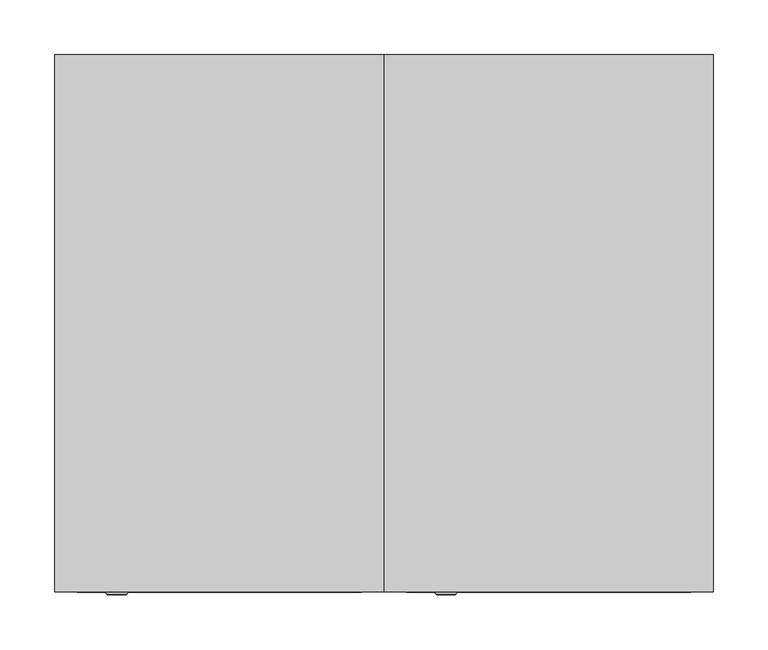
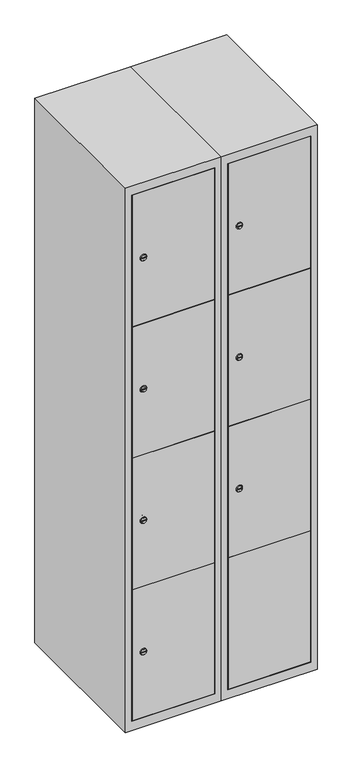
"""IFC4 building model written with IfcOpenShell, lengths in millimetres: furniture geometry."""

from ifc_helpers import new_model, si_unit, point, frame, frame_2d, origin, place, context, project, spatial, polyline, circle_curve, trimmed, segment, composite_curve, outline, extrude, faceted_brep, source, transform, mapped, element, save
from ifc_brep_helpers import plane_surface, revolved_surface, advanced_brep


def furniture_bb9736ca(model_context):
    return source(origin(), model_context, "Body", "SolidModel", [
        extrude(outline(composite_curve([segment(trimmed(circle_curve(frame_2d((717.8, 129.6010534)), 7.0), [point((724.8, 129.6010534))], [point((710.8, 129.6010534))], False, "CARTESIAN"), True, "CONTINUOUS"), segment(polyline([(710.8, 129.6010534), (710.8, 157.6010534)]), True, "CONTINUOUS"), segment(trimmed(circle_curve(frame_2d((717.8, 157.6010534)), 7.0), [point((710.8, 157.6010534))], [point((724.8, 157.6010534))], False, "CARTESIAN"), True, "CONTINUOUS"), segment(polyline([(724.8, 157.6010534), (724.8, 129.6010534)]), True, "CONTINUOUS")], self_intersect=False)), frame((0.0, -227.0, 0.0), z_axis=(0.0, 1.0, 0.0), x_axis=(0.0, 0.0, 1.0)), (0.0, 0.0, 1.0), 2.0),
        advanced_brep(
        [(164.9, -247.2, 717.8), (147.9, -247.2, 717.8), (151.4, -247.2, 716.55), (151.4, -247.2, 719.05), (161.4, -247.2, 719.05), (161.4, -247.2, 716.55), (166.9, -245.0, 717.8), (145.9, -245.0, 717.8), (151.4, -245.0, 719.05), (151.4, -245.0, 716.55), (161.4, -245.0, 716.55), (161.4, -245.0, 719.05)],
        [
            (0, 1, circle_curve(frame((156.4, -247.2, 717.8), z_axis=(0.0, -1.0, 0.0), x_axis=(1.0, 0.0, 0.0)), 8.5)),
            (1, 0, circle_curve(frame((156.4, -247.2, 717.8), z_axis=(0.0, -1.0, 0.0), x_axis=(-1.0, 0.0, 0.0)), 8.5)),
            (2, 3),
            (3, 4),
            (4, 5),
            (5, 2),
            (6, 7, circle_curve(frame((156.4, -245.0, 717.8), z_axis=(0.0, 1.0, 0.0), x_axis=(-1.0, 0.0, 0.0)), 10.5)),
            (7, 6, circle_curve(frame((156.4, -245.0, 717.8), z_axis=(0.0, 1.0, 0.0), x_axis=(1.0, 0.0, 0.0)), 10.5)),
            (8, 9),
            (9, 10),
            (10, 11),
            (11, 8),
            (0, 6),
            (7, 1),
            (8, 3),
            (2, 9),
            (11, 4),
            (10, 5),
        ],
        [
            plane_surface(frame((156.4, -247.2, 717.8), z_axis=(0.0, -1.0, 0.0), x_axis=(0.0, 0.0, 1.0))),
            plane_surface(frame((156.4, -245.0, 717.8), z_axis=(0.0, 1.0, 0.0), x_axis=(0.0, 0.0, 1.0))),
            revolved_surface(polyline([(164.9, -247.2, 717.8), (166.9, -245.0, 717.8)]), (156.4, -256.55, 717.8), (0.0, 1.0, 0.0)),
            revolved_surface(polyline([(147.9, -247.2, 717.8), (145.9, -245.0, 717.8)]), (156.4, -256.55, 717.8), (0.0, 1.0, 0.0)),
            plane_surface(frame((151.4, -245.0, 716.55), z_axis=(1.0, 0.0, 0.0), x_axis=(0.0, -1.0, 0.0))),
            plane_surface(frame((151.4, -245.0, 719.05), z_axis=(0.0, 0.0, -1.0), x_axis=(0.0, -1.0, 0.0))),
            plane_surface(frame((161.4, -245.0, 719.05), z_axis=(-1.0, 0.0, 0.0), x_axis=(0.0, -1.0, 0.0))),
            plane_surface(frame((161.4, -245.0, 716.55), z_axis=(0.0, 0.0, 1.0), x_axis=(0.0, -1.0, 0.0))),
        ],
        [
            (0, [[1, 2], [3, 4, 5, 6]]),
            (1, [[7, 8], [9, 10, 11, 12]]),
            (2, [[-1, 13, -8, 14]]),
            (3, [[-2, -14, -7, -13]]),
            (4, [[15, -3, 16, -9]]),
            (5, [[-15, -12, 17, -4]]),
            (6, [[-17, -11, 18, -5]]),
            (7, [[-16, -6, -18, -10]]),
        ],
    ),
        extrude(outline(composite_curve([segment(trimmed(circle_curve(frame_2d((1152.2, 129.6010534)), 7.0), [point((1159.2, 129.6010534))], [point((1145.2, 129.6010534))], False, "CARTESIAN"), True, "CONTINUOUS"), segment(polyline([(1145.2, 129.6010534), (1145.2, 157.6010534)]), True, "CONTINUOUS"), segment(trimmed(circle_curve(frame_2d((1152.2, 157.6010534)), 7.0), [point((1145.2, 157.6010534))], [point((1159.2, 157.6010534))], False, "CARTESIAN"), True, "CONTINUOUS"), segment(polyline([(1159.2, 157.6010534), (1159.2, 129.6010534)]), True, "CONTINUOUS")], self_intersect=False)), frame((0.0, -227.0, 0.0), z_axis=(0.0, 1.0, 0.0), x_axis=(0.0, 0.0, 1.0)), (0.0, 0.0, 1.0), 2.0),
        advanced_brep(
        [(164.9, -247.2, 1152.2), (147.9, -247.2, 1152.2), (151.4, -247.2, 1150.95), (151.4, -247.2, 1153.45), (161.4, -247.2, 1153.45), (161.4, -247.2, 1150.95), (166.9, -245.0, 1152.2), (145.9, -245.0, 1152.2), (151.4, -245.0, 1153.45), (151.4, -245.0, 1150.95), (161.4, -245.0, 1150.95), (161.4, -245.0, 1153.45)],
        [
            (0, 1, circle_curve(frame((156.4, -247.2, 1152.2), z_axis=(0.0, -1.0, 0.0), x_axis=(1.0, 0.0, 0.0)), 8.5)),
            (1, 0, circle_curve(frame((156.4, -247.2, 1152.2), z_axis=(0.0, -1.0, 0.0), x_axis=(-1.0, 0.0, 0.0)), 8.5)),
            (2, 3),
            (3, 4),
            (4, 5),
            (5, 2),
            (6, 7, circle_curve(frame((156.4, -245.0, 1152.2), z_axis=(0.0, 1.0, 0.0), x_axis=(-1.0, 0.0, 0.0)), 10.5)),
            (7, 6, circle_curve(frame((156.4, -245.0, 1152.2), z_axis=(0.0, 1.0, 0.0), x_axis=(1.0, 0.0, 0.0)), 10.5)),
            (8, 9),
            (9, 10),
            (10, 11),
            (11, 8),
            (0, 6),
            (7, 1),
            (8, 3),
            (2, 9),
            (11, 4),
            (10, 5),
        ],
        [
            plane_surface(frame((156.4, -247.2, 1152.2), z_axis=(0.0, -1.0, 0.0), x_axis=(0.0, 0.0, 1.0))),
            plane_surface(frame((156.4, -245.0, 1152.2), z_axis=(0.0, 1.0, 0.0), x_axis=(0.0, 0.0, 1.0))),
            revolved_surface(polyline([(164.9, -247.2, 1152.2), (166.9, -245.0, 1152.2)]), (156.4, -256.55, 1152.2), (0.0, 1.0, 0.0)),
            revolved_surface(polyline([(147.9, -247.2, 1152.2), (145.9, -245.0, 1152.2)]), (156.4, -256.55, 1152.2), (0.0, 1.0, 0.0)),
            plane_surface(frame((151.4, -245.0, 1150.95), z_axis=(1.0, 0.0, 0.0), x_axis=(0.0, -1.0, 0.0))),
            plane_surface(frame((151.4, -245.0, 1153.45), z_axis=(0.0, 0.0, -1.0), x_axis=(0.0, -1.0, 0.0))),
            plane_surface(frame((161.4, -245.0, 1153.45), z_axis=(-1.0, 0.0, 0.0), x_axis=(0.0, -1.0, 0.0))),
            plane_surface(frame((161.4, -245.0, 1150.95), z_axis=(0.0, 0.0, 1.0), x_axis=(0.0, -1.0, 0.0))),
        ],
        [
            (0, [[1, 2], [3, 4, 5, 6]]),
            (1, [[7, 8], [9, 10, 11, 12]]),
            (2, [[-1, 13, -8, 14]]),
            (3, [[-2, -14, -7, -13]]),
            (4, [[15, -3, 16, -9]]),
            (5, [[-15, -12, 17, -4]]),
            (6, [[-17, -11, 18, -5]]),
            (7, [[-16, -6, -18, -10]]),
        ],
    ),
        extrude(outline(composite_curve([segment(trimmed(circle_curve(frame_2d((1586.6, 129.6010534)), 7.0), [point((1593.6, 129.6010534))], [point((1579.6, 129.6010534))], False, "CARTESIAN"), True, "CONTINUOUS"), segment(polyline([(1579.6, 129.6010534), (1579.6, 157.6010534)]), True, "CONTINUOUS"), segment(trimmed(circle_curve(frame_2d((1586.6, 157.6010534)), 7.0), [point((1579.6, 157.6010534))], [point((1593.6, 157.6010534))], False, "CARTESIAN"), True, "CONTINUOUS"), segment(polyline([(1593.6, 157.6010534), (1593.6, 129.6010534)]), True, "CONTINUOUS")], self_intersect=False)), frame((0.0, -227.0, 0.0), z_axis=(0.0, 1.0, 0.0), x_axis=(0.0, 0.0, 1.0)), (0.0, 0.0, 1.0), 2.0),
        advanced_brep(
        [(164.9, -247.2, 1586.6), (147.9, -247.2, 1586.6), (151.4, -247.2, 1585.35), (151.4, -247.2, 1587.85), (161.4, -247.2, 1587.85), (161.4, -247.2, 1585.35), (166.9, -245.0, 1586.6), (145.9, -245.0, 1586.6), (151.4, -245.0, 1587.85), (151.4, -245.0, 1585.35), (161.4, -245.0, 1585.35), (161.4, -245.0, 1587.85)],
        [
            (0, 1, circle_curve(frame((156.4, -247.2, 1586.6), z_axis=(0.0, -1.0, 0.0), x_axis=(1.0, 0.0, 0.0)), 8.5)),
            (1, 0, circle_curve(frame((156.4, -247.2, 1586.6), z_axis=(0.0, -1.0, 0.0), x_axis=(-1.0, 0.0, 0.0)), 8.5)),
            (2, 3),
            (3, 4),
            (4, 5),
            (5, 2),
            (6, 7, circle_curve(frame((156.4, -245.0, 1586.6), z_axis=(0.0, 1.0, 0.0), x_axis=(-1.0, 0.0, 0.0)), 10.5)),
            (7, 6, circle_curve(frame((156.4, -245.0, 1586.6), z_axis=(0.0, 1.0, 0.0), x_axis=(1.0, 0.0, 0.0)), 10.5)),
            (8, 9),
            (9, 10),
            (10, 11),
            (11, 8),
            (0, 6),
            (7, 1),
            (8, 3),
            (2, 9),
            (11, 4),
            (10, 5),
        ],
        [
            plane_surface(frame((156.4, -247.2, 1586.6), z_axis=(0.0, -1.0, 0.0), x_axis=(0.0, 0.0, 1.0))),
            plane_surface(frame((156.4, -245.0, 1586.6), z_axis=(0.0, 1.0, 0.0), x_axis=(0.0, 0.0, 1.0))),
            revolved_surface(polyline([(164.9, -247.2, 1586.6), (166.9, -245.0, 1586.6)]), (156.4, -256.55, 1586.6), (0.0, 1.0, 0.0)),
            revolved_surface(polyline([(147.9, -247.2, 1586.6), (145.9, -245.0, 1586.6)]), (156.4, -256.55, 1586.6), (0.0, 1.0, 0.0)),
            plane_surface(frame((151.4, -245.0, 1585.35), z_axis=(1.0, 0.0, 0.0), x_axis=(0.0, -1.0, 0.0))),
            plane_surface(frame((151.4, -245.0, 1587.85), z_axis=(0.0, 0.0, -1.0), x_axis=(0.0, -1.0, 0.0))),
            plane_surface(frame((161.4, -245.0, 1587.85), z_axis=(-1.0, 0.0, 0.0), x_axis=(0.0, -1.0, 0.0))),
            plane_surface(frame((161.4, -245.0, 1585.35), z_axis=(0.0, 0.0, 1.0), x_axis=(0.0, -1.0, 0.0))),
        ],
        [
            (0, [[1, 2], [3, 4, 5, 6]]),
            (1, [[7, 8], [9, 10, 11, 12]]),
            (2, [[-1, 13, -8, 14]]),
            (3, [[-2, -14, -7, -13]]),
            (4, [[15, -3, 16, -9]]),
            (5, [[-15, -12, 17, -4]]),
            (6, [[-17, -11, 18, -5]]),
            (7, [[-16, -6, -18, -10]]),
        ],
    ),
        extrude(outline(polyline([(378.6, -227.0), (378.6, -245.0), (121.4, -245.0), (121.4, -227.0), (378.6, -227.0)])), frame((0.0, 0.0, 500.1), z_axis=(0.0, 0.0, 1.0), x_axis=(1.0, 0.0, 0.0)), (0.0, 0.0, 1.0), 434.4),
        extrude(outline(polyline([(378.6, -227.0), (378.6, -245.0), (121.4, -245.0), (121.4, -227.0), (378.6, -227.0)])), frame((0.0, 0.0, 935.5), z_axis=(0.0, 0.0, 1.0), x_axis=(1.0, 0.0, 0.0)), (0.0, 0.0, 1.0), 433.4),
        extrude(outline(polyline([(121.4, -245.0), (121.4, -227.0), (378.6, -227.0), (378.6, -245.0), (121.4, -245.0)])), frame((0.0, 0.0, 1369.9), z_axis=(0.0, 0.0, 1.0), x_axis=(1.0, 0.0, 0.0)), (0.0, 0.0, 1.0), 433.9),
        extrude(outline(polyline([(378.6, -227.0), (378.6, -245.0), (121.4, -245.0), (121.4, -227.0), (378.6, -227.0)])), frame((0.0, 0.0, 66.2), z_axis=(0.0, 0.0, 1.0), x_axis=(1.0, 0.0, 0.0)), (0.0, 0.0, 1.0), 434.9),
        extrude(outline(polyline([(379.6, 242.0), (379.6, -227.0), (120.4, -227.0), (120.4, 242.0), (379.6, 242.0)])), frame((0.0, 0.0, 1359.7), z_axis=(0.0, 0.0, 1.0), x_axis=(1.0, 0.0, 0.0)), (0.0, 0.0, 1.0), 20.4),
        extrude(outline(polyline([(379.6, 242.0), (379.6, -227.0), (120.4, -227.0), (120.4, 242.0), (379.6, 242.0)])), frame((0.0, 0.0, 924.8), z_axis=(0.0, 0.0, 1.0), x_axis=(1.0, 0.0, 0.0)), (0.0, 0.0, 1.0), 20.4),
        extrude(outline(polyline([(379.6, 242.0), (379.6, -227.0), (120.4, -227.0), (120.4, 242.0), (379.6, 242.0)])), frame((0.0, 0.0, 489.9), z_axis=(0.0, 0.0, 1.0), x_axis=(1.0, 0.0, 0.0)), (0.0, 0.0, 1.0), 20.4),
        faceted_brep([(400.0, -245.0, 35.0), (400.0, -245.0, 1835.0), (100.0, -245.0, 1835.0), (100.0, -245.0, 35.0), (379.6, -245.0, 1804.8), (379.6, -245.0, 65.2), (120.4, -245.0, 65.2), (120.4, -245.0, 1804.8), (400.0, 245.0, 35.0), (100.0, 245.0, 35.0), (400.0, 245.0, 1835.0), (100.0, 245.0, 1835.0), (379.6, 242.0, 1804.8), (379.6, 242.0, 65.2), (100.0, 245.0, 1804.8), (120.4, 242.0, 1804.8), (120.4, 242.0, 65.2)], [[[0, 1, 2, 3], [4, 5, 6, 7]], [[8, 0, 3, 9]], [[1, 0, 8, 10]], [[1, 10, 11, 2]], [[4, 12, 13, 5]], [[9, 3, 2, 11, 14]], [[10, 8, 9, 14, 11]], [[12, 15, 16, 13]], [[15, 7, 6, 16]], [[4, 7, 15, 12]], [[6, 5, 13, 16]]]),
        extrude(outline(composite_curve([segment(trimmed(circle_curve(frame_2d((283.4, -170.3989466)), 7.0), [point((290.4, -170.3989466))], [point((276.4, -170.3989466))], False, "CARTESIAN"), True, "CONTINUOUS"), segment(polyline([(276.4, -170.3989466), (276.4, -142.3989466)]), True, "CONTINUOUS"), segment(trimmed(circle_curve(frame_2d((283.4, -142.3989466)), 7.0), [point((276.4, -142.3989466))], [point((290.4, -142.3989466))], False, "CARTESIAN"), True, "CONTINUOUS"), segment(polyline([(290.4, -142.3989466), (290.4, -170.3989466)]), True, "CONTINUOUS")], self_intersect=False)), frame((0.0, -227.0, 0.0), z_axis=(0.0, 1.0, 0.0), x_axis=(0.0, 0.0, 1.0)), (0.0, 0.0, 1.0), 2.0),
        advanced_brep(
        [(-135.1, -247.2, 283.4), (-152.1, -247.2, 283.4), (-148.6, -247.2, 282.15), (-148.6, -247.2, 284.65), (-138.6, -247.2, 284.65), (-138.6, -247.2, 282.15), (-133.1, -245.0, 283.4), (-154.1, -245.0, 283.4), (-148.6, -245.0, 284.65), (-148.6, -245.0, 282.15), (-138.6, -245.0, 282.15), (-138.6, -245.0, 284.65)],
        [
            (0, 1, circle_curve(frame((-143.6, -247.2, 283.4), z_axis=(0.0, -1.0, 0.0), x_axis=(1.0, 0.0, 0.0)), 8.5)),
            (1, 0, circle_curve(frame((-143.6, -247.2, 283.4), z_axis=(0.0, -1.0, 0.0), x_axis=(-1.0, 0.0, 0.0)), 8.5)),
            (2, 3),
            (3, 4),
            (4, 5),
            (5, 2),
            (6, 7, circle_curve(frame((-143.6, -245.0, 283.4), z_axis=(0.0, 1.0, 0.0), x_axis=(-1.0, 0.0, 0.0)), 10.5)),
            (7, 6, circle_curve(frame((-143.6, -245.0, 283.4), z_axis=(0.0, 1.0, 0.0), x_axis=(1.0, 0.0, 0.0)), 10.5)),
            (8, 9),
            (9, 10),
            (10, 11),
            (11, 8),
            (0, 6),
            (7, 1),
            (8, 3),
            (2, 9),
            (11, 4),
            (10, 5),
        ],
        [
            plane_surface(frame((-143.6, -247.2, 283.4), z_axis=(0.0, -1.0, 0.0), x_axis=(0.0, 0.0, 1.0))),
            plane_surface(frame((-143.6, -245.0, 283.4), z_axis=(0.0, 1.0, 0.0), x_axis=(0.0, 0.0, 1.0))),
            revolved_surface(polyline([(-135.1, -247.2, 283.4), (-133.1, -245.0, 283.4)]), (-143.6, -256.55, 283.4), (0.0, 1.0, 0.0)),
            revolved_surface(polyline([(-152.1, -247.2, 283.4), (-154.1, -245.0, 283.4)]), (-143.6, -256.55, 283.4), (0.0, 1.0, 0.0)),
            plane_surface(frame((-148.6, -245.0, 282.15), z_axis=(1.0, 0.0, 0.0), x_axis=(0.0, -1.0, 0.0))),
            plane_surface(frame((-148.6, -245.0, 284.65), z_axis=(0.0, 0.0, -1.0), x_axis=(0.0, -1.0, 0.0))),
            plane_surface(frame((-138.6, -245.0, 284.65), z_axis=(-1.0, 0.0, 0.0), x_axis=(0.0, -1.0, 0.0))),
            plane_surface(frame((-138.6, -245.0, 282.15), z_axis=(0.0, 0.0, 1.0), x_axis=(0.0, -1.0, 0.0))),
        ],
        [
            (0, [[1, 2], [3, 4, 5, 6]]),
            (1, [[7, 8], [9, 10, 11, 12]]),
            (2, [[-1, 13, -8, 14]]),
            (3, [[-2, -14, -7, -13]]),
            (4, [[15, -3, 16, -9]]),
            (5, [[-15, -12, 17, -4]]),
            (6, [[-17, -11, 18, -5]]),
            (7, [[-16, -6, -18, -10]]),
        ],
    ),
        extrude(outline(composite_curve([segment(trimmed(circle_curve(frame_2d((717.8, -170.3989466)), 7.0), [point((724.8, -170.3989466))], [point((710.8, -170.3989466))], False, "CARTESIAN"), True, "CONTINUOUS"), segment(polyline([(710.8, -170.3989466), (710.8, -142.3989466)]), True, "CONTINUOUS"), segment(trimmed(circle_curve(frame_2d((717.8, -142.3989466)), 7.0), [point((710.8, -142.3989466))], [point((724.8, -142.3989466))], False, "CARTESIAN"), True, "CONTINUOUS"), segment(polyline([(724.8, -142.3989466), (724.8, -170.3989466)]), True, "CONTINUOUS")], self_intersect=False)), frame((0.0, -227.0, 0.0), z_axis=(0.0, 1.0, 0.0), x_axis=(0.0, 0.0, 1.0)), (0.0, 0.0, 1.0), 2.0),
        advanced_brep(
        [(-135.1, -247.2, 717.8), (-152.1, -247.2, 717.8), (-148.6, -247.2, 716.55), (-148.6, -247.2, 719.05), (-138.6, -247.2, 719.05), (-138.6, -247.2, 716.55), (-133.1, -245.0, 717.8), (-154.1, -245.0, 717.8), (-148.6, -245.0, 719.05), (-148.6, -245.0, 716.55), (-138.6, -245.0, 716.55), (-138.6, -245.0, 719.05)],
        [
            (0, 1, circle_curve(frame((-143.6, -247.2, 717.8), z_axis=(0.0, -1.0, 0.0), x_axis=(1.0, 0.0, 0.0)), 8.5)),
            (1, 0, circle_curve(frame((-143.6, -247.2, 717.8), z_axis=(0.0, -1.0, 0.0), x_axis=(-1.0, 0.0, 0.0)), 8.5)),
            (2, 3),
            (3, 4),
            (4, 5),
            (5, 2),
            (6, 7, circle_curve(frame((-143.6, -245.0, 717.8), z_axis=(0.0, 1.0, 0.0), x_axis=(-1.0, 0.0, 0.0)), 10.5)),
            (7, 6, circle_curve(frame((-143.6, -245.0, 717.8), z_axis=(0.0, 1.0, 0.0), x_axis=(1.0, 0.0, 0.0)), 10.5)),
            (8, 9),
            (9, 10),
            (10, 11),
            (11, 8),
            (0, 6),
            (7, 1),
            (8, 3),
            (2, 9),
            (11, 4),
            (10, 5),
        ],
        [
            plane_surface(frame((-143.6, -247.2, 717.8), z_axis=(0.0, -1.0, 0.0), x_axis=(0.0, 0.0, 1.0))),
            plane_surface(frame((-143.6, -245.0, 717.8), z_axis=(0.0, 1.0, 0.0), x_axis=(0.0, 0.0, 1.0))),
            revolved_surface(polyline([(-135.1, -247.2, 717.8), (-133.1, -245.0, 717.8)]), (-143.6, -256.55, 717.8), (0.0, 1.0, 0.0)),
            revolved_surface(polyline([(-152.1, -247.2, 717.8), (-154.1, -245.0, 717.8)]), (-143.6, -256.55, 717.8), (0.0, 1.0, 0.0)),
            plane_surface(frame((-148.6, -245.0, 716.55), z_axis=(1.0, 0.0, 0.0), x_axis=(0.0, -1.0, 0.0))),
            plane_surface(frame((-148.6, -245.0, 719.05), z_axis=(0.0, 0.0, -1.0), x_axis=(0.0, -1.0, 0.0))),
            plane_surface(frame((-138.6, -245.0, 719.05), z_axis=(-1.0, 0.0, 0.0), x_axis=(0.0, -1.0, 0.0))),
            plane_surface(frame((-138.6, -245.0, 716.55), z_axis=(0.0, 0.0, 1.0), x_axis=(0.0, -1.0, 0.0))),
        ],
        [
            (0, [[1, 2], [3, 4, 5, 6]]),
            (1, [[7, 8], [9, 10, 11, 12]]),
            (2, [[-1, 13, -8, 14]]),
            (3, [[-2, -14, -7, -13]]),
            (4, [[15, -3, 16, -9]]),
            (5, [[-15, -12, 17, -4]]),
            (6, [[-17, -11, 18, -5]]),
            (7, [[-16, -6, -18, -10]]),
        ],
    ),
        extrude(outline(composite_curve([segment(trimmed(circle_curve(frame_2d((1152.2, -170.3989466)), 7.0), [point((1159.2, -170.3989466))], [point((1145.2, -170.3989466))], False, "CARTESIAN"), True, "CONTINUOUS"), segment(polyline([(1145.2, -170.3989466), (1145.2, -142.3989466)]), True, "CONTINUOUS"), segment(trimmed(circle_curve(frame_2d((1152.2, -142.3989466)), 7.0), [point((1145.2, -142.3989466))], [point((1159.2, -142.3989466))], False, "CARTESIAN"), True, "CONTINUOUS"), segment(polyline([(1159.2, -142.3989466), (1159.2, -170.3989466)]), True, "CONTINUOUS")], self_intersect=False)), frame((0.0, -227.0, 0.0), z_axis=(0.0, 1.0, 0.0), x_axis=(0.0, 0.0, 1.0)), (0.0, 0.0, 1.0), 2.0),
        advanced_brep(
        [(-135.1, -247.2, 1152.2), (-152.1, -247.2, 1152.2), (-148.6, -247.2, 1150.95), (-148.6, -247.2, 1153.45), (-138.6, -247.2, 1153.45), (-138.6, -247.2, 1150.95), (-133.1, -245.0, 1152.2), (-154.1, -245.0, 1152.2), (-148.6, -245.0, 1153.45), (-148.6, -245.0, 1150.95), (-138.6, -245.0, 1150.95), (-138.6, -245.0, 1153.45)],
        [
            (0, 1, circle_curve(frame((-143.6, -247.2, 1152.2), z_axis=(0.0, -1.0, 0.0), x_axis=(1.0, 0.0, 0.0)), 8.5)),
            (1, 0, circle_curve(frame((-143.6, -247.2, 1152.2), z_axis=(0.0, -1.0, 0.0), x_axis=(-1.0, 0.0, 0.0)), 8.5)),
            (2, 3),
            (3, 4),
            (4, 5),
            (5, 2),
            (6, 7, circle_curve(frame((-143.6, -245.0, 1152.2), z_axis=(0.0, 1.0, 0.0), x_axis=(-1.0, 0.0, 0.0)), 10.5)),
            (7, 6, circle_curve(frame((-143.6, -245.0, 1152.2), z_axis=(0.0, 1.0, 0.0), x_axis=(1.0, 0.0, 0.0)), 10.5)),
            (8, 9),
            (9, 10),
            (10, 11),
            (11, 8),
            (0, 6),
            (7, 1),
            (8, 3),
            (2, 9),
            (11, 4),
            (10, 5),
        ],
        [
            plane_surface(frame((-143.6, -247.2, 1152.2), z_axis=(0.0, -1.0, 0.0), x_axis=(0.0, 0.0, 1.0))),
            plane_surface(frame((-143.6, -245.0, 1152.2), z_axis=(0.0, 1.0, 0.0), x_axis=(0.0, 0.0, 1.0))),
            revolved_surface(polyline([(-135.1, -247.2, 1152.2), (-133.1, -245.0, 1152.2)]), (-143.6, -256.55, 1152.2), (0.0, 1.0, 0.0)),
            revolved_surface(polyline([(-152.1, -247.2, 1152.2), (-154.1, -245.0, 1152.2)]), (-143.6, -256.55, 1152.2), (0.0, 1.0, 0.0)),
            plane_surface(frame((-148.6, -245.0, 1150.95), z_axis=(1.0, 0.0, 0.0), x_axis=(0.0, -1.0, 0.0))),
            plane_surface(frame((-148.6, -245.0, 1153.45), z_axis=(0.0, 0.0, -1.0), x_axis=(0.0, -1.0, 0.0))),
            plane_surface(frame((-138.6, -245.0, 1153.45), z_axis=(-1.0, 0.0, 0.0), x_axis=(0.0, -1.0, 0.0))),
            plane_surface(frame((-138.6, -245.0, 1150.95), z_axis=(0.0, 0.0, 1.0), x_axis=(0.0, -1.0, 0.0))),
        ],
        [
            (0, [[1, 2], [3, 4, 5, 6]]),
            (1, [[7, 8], [9, 10, 11, 12]]),
            (2, [[-1, 13, -8, 14]]),
            (3, [[-2, -14, -7, -13]]),
            (4, [[15, -3, 16, -9]]),
            (5, [[-15, -12, 17, -4]]),
            (6, [[-17, -11, 18, -5]]),
            (7, [[-16, -6, -18, -10]]),
        ],
    ),
        extrude(outline(composite_curve([segment(trimmed(circle_curve(frame_2d((1586.6, -170.3989466)), 7.0), [point((1593.6, -170.3989466))], [point((1579.6, -170.3989466))], False, "CARTESIAN"), True, "CONTINUOUS"), segment(polyline([(1579.6, -170.3989466), (1579.6, -142.3989466)]), True, "CONTINUOUS"), segment(trimmed(circle_curve(frame_2d((1586.6, -142.3989466)), 7.0), [point((1579.6, -142.3989466))], [point((1593.6, -142.3989466))], False, "CARTESIAN"), True, "CONTINUOUS"), segment(polyline([(1593.6, -142.3989466), (1593.6, -170.3989466)]), True, "CONTINUOUS")], self_intersect=False)), frame((0.0, -227.0, 0.0), z_axis=(0.0, 1.0, 0.0), x_axis=(0.0, 0.0, 1.0)), (0.0, 0.0, 1.0), 2.0),
        advanced_brep(
        [(-135.1, -247.2, 1586.6), (-152.1, -247.2, 1586.6), (-148.6, -247.2, 1585.35), (-148.6, -247.2, 1587.85), (-138.6, -247.2, 1587.85), (-138.6, -247.2, 1585.35), (-133.1, -245.0, 1586.6), (-154.1, -245.0, 1586.6), (-148.6, -245.0, 1587.85), (-148.6, -245.0, 1585.35), (-138.6, -245.0, 1585.35), (-138.6, -245.0, 1587.85)],
        [
            (0, 1, circle_curve(frame((-143.6, -247.2, 1586.6), z_axis=(0.0, -1.0, 0.0), x_axis=(1.0, 0.0, 0.0)), 8.5)),
            (1, 0, circle_curve(frame((-143.6, -247.2, 1586.6), z_axis=(0.0, -1.0, 0.0), x_axis=(-1.0, 0.0, 0.0)), 8.5)),
            (2, 3),
            (3, 4),
            (4, 5),
            (5, 2),
            (6, 7, circle_curve(frame((-143.6, -245.0, 1586.6), z_axis=(0.0, 1.0, 0.0), x_axis=(-1.0, 0.0, 0.0)), 10.5)),
            (7, 6, circle_curve(frame((-143.6, -245.0, 1586.6), z_axis=(0.0, 1.0, 0.0), x_axis=(1.0, 0.0, 0.0)), 10.5)),
            (8, 9),
            (9, 10),
            (10, 11),
            (11, 8),
            (0, 6),
            (7, 1),
            (8, 3),
            (2, 9),
            (11, 4),
            (10, 5),
        ],
        [
            plane_surface(frame((-143.6, -247.2, 1586.6), z_axis=(0.0, -1.0, 0.0), x_axis=(0.0, 0.0, 1.0))),
            plane_surface(frame((-143.6, -245.0, 1586.6), z_axis=(0.0, 1.0, 0.0), x_axis=(0.0, 0.0, 1.0))),
            revolved_surface(polyline([(-135.1, -247.2, 1586.6), (-133.1, -245.0, 1586.6)]), (-143.6, -256.55, 1586.6), (0.0, 1.0, 0.0)),
            revolved_surface(polyline([(-152.1, -247.2, 1586.6), (-154.1, -245.0, 1586.6)]), (-143.6, -256.55, 1586.6), (0.0, 1.0, 0.0)),
            plane_surface(frame((-148.6, -245.0, 1585.35), z_axis=(1.0, 0.0, 0.0), x_axis=(0.0, -1.0, 0.0))),
            plane_surface(frame((-148.6, -245.0, 1587.85), z_axis=(0.0, 0.0, -1.0), x_axis=(0.0, -1.0, 0.0))),
            plane_surface(frame((-138.6, -245.0, 1587.85), z_axis=(-1.0, 0.0, 0.0), x_axis=(0.0, -1.0, 0.0))),
            plane_surface(frame((-138.6, -245.0, 1585.35), z_axis=(0.0, 0.0, 1.0), x_axis=(0.0, -1.0, 0.0))),
        ],
        [
            (0, [[1, 2], [3, 4, 5, 6]]),
            (1, [[7, 8], [9, 10, 11, 12]]),
            (2, [[-1, 13, -8, 14]]),
            (3, [[-2, -14, -7, -13]]),
            (4, [[15, -3, 16, -9]]),
            (5, [[-15, -12, 17, -4]]),
            (6, [[-17, -11, 18, -5]]),
            (7, [[-16, -6, -18, -10]]),
        ],
    ),
        extrude(outline(polyline([(78.6, -227.0), (78.6, -245.0), (-178.6, -245.0), (-178.6, -227.0), (78.6, -227.0)])), frame((0.0, 0.0, 500.1), z_axis=(0.0, 0.0, 1.0), x_axis=(1.0, 0.0, 0.0)), (0.0, 0.0, 1.0), 434.4),
        extrude(outline(polyline([(78.6, -227.0), (78.6, -245.0), (-178.6, -245.0), (-178.6, -227.0), (78.6, -227.0)])), frame((0.0, 0.0, 935.5), z_axis=(0.0, 0.0, 1.0), x_axis=(1.0, 0.0, 0.0)), (0.0, 0.0, 1.0), 433.4),
        extrude(outline(polyline([(-178.6, -245.0), (-178.6, -227.0), (78.6, -227.0), (78.6, -245.0), (-178.6, -245.0)])), frame((0.0, 0.0, 1369.9), z_axis=(0.0, 0.0, 1.0), x_axis=(1.0, 0.0, 0.0)), (0.0, 0.0, 1.0), 433.9),
        extrude(outline(polyline([(78.6, -227.0), (78.6, -245.0), (-178.6, -245.0), (-178.6, -227.0), (78.6, -227.0)])), frame((0.0, 0.0, 66.2), z_axis=(0.0, 0.0, 1.0), x_axis=(1.0, 0.0, 0.0)), (0.0, 0.0, 1.0), 434.9),
        extrude(outline(polyline([(79.6, 242.0), (79.6, -227.0), (-179.6, -227.0), (-179.6, 242.0), (79.6, 242.0)])), frame((0.0, 0.0, 1359.7), z_axis=(0.0, 0.0, 1.0), x_axis=(1.0, 0.0, 0.0)), (0.0, 0.0, 1.0), 20.4),
        extrude(outline(polyline([(79.6, 242.0), (79.6, -227.0), (-179.6, -227.0), (-179.6, 242.0), (79.6, 242.0)])), frame((0.0, 0.0, 924.8), z_axis=(0.0, 0.0, 1.0), x_axis=(1.0, 0.0, 0.0)), (0.0, 0.0, 1.0), 20.4),
        extrude(outline(polyline([(79.6, 242.0), (79.6, -227.0), (-179.6, -227.0), (-179.6, 242.0), (79.6, 242.0)])), frame((0.0, 0.0, 489.9), z_axis=(0.0, 0.0, 1.0), x_axis=(1.0, 0.0, 0.0)), (0.0, 0.0, 1.0), 20.4),
        faceted_brep([(100.0, -245.0, 35.0), (100.0, -245.0, 1835.0), (-200.0, -245.0, 1835.0), (-200.0, -245.0, 35.0), (79.6, -245.0, 1804.8), (79.6, -245.0, 65.2), (-179.6, -245.0, 65.2), (-179.6, -245.0, 1804.8), (100.0, 245.0, 35.0), (-200.0, 245.0, 35.0), (100.0, 245.0, 1835.0), (-200.0, 245.0, 1835.0), (79.6, 242.0, 1804.8), (79.6, 242.0, 65.2), (-200.0, 245.0, 1804.8), (-179.6, 242.0, 1804.8), (-179.6, 242.0, 65.2)], [[[0, 1, 2, 3], [4, 5, 6, 7]], [[8, 0, 3, 9]], [[1, 0, 8, 10]], [[1, 10, 11, 2]], [[4, 12, 13, 5]], [[9, 3, 2, 11, 14]], [[10, 8, 9, 14, 11]], [[12, 15, 16, 13]], [[15, 7, 6, 16]], [[4, 7, 15, 12]], [[6, 5, 13, 16]]]),
    ])


if __name__ == "__main__":
    model = new_model("IFC4")
    model_context = context("Model", 3, world=origin())
    ifc_project = project(units=[si_unit("LENGTHUNIT", "METRE", prefix="MILLI")], contexts=[model_context])
    site = spatial("IfcSite", under=ifc_project)
    building = spatial("IfcBuilding", under=site)
    placement = place(None, origin())
    furniture_shape = furniture_bb9736ca(model_context)
    element("IfcFurniture", 1, at=placement, inside=building, context=model_context, shape_type="MappedRepresentation", body=[
        mapped(furniture_shape, transform((0.0, 0.0, 0.0), x_axis=(1.0, 0.0, 0.0), y_axis=(0.0, 1.0, 0.0), z_axis=(0.0, 0.0, 1.0))),
    ])
    save(model, "model.ifc")
